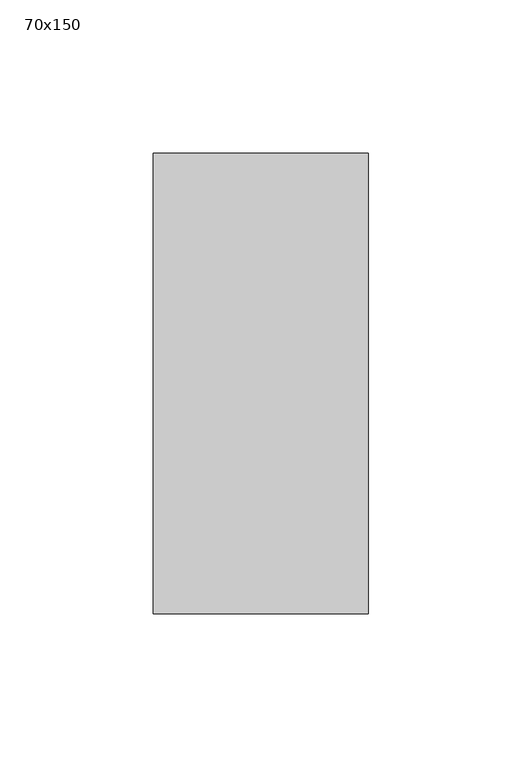
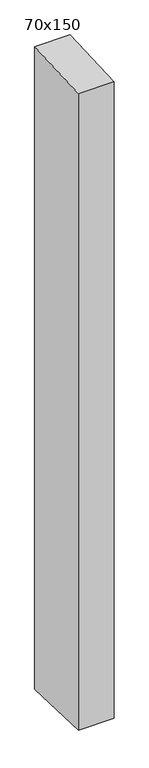
"""IFC4 building model written with IfcOpenShell, lengths in millimetres: member geometry, 70x150."""

import ifcopenshell
import ifcopenshell.guid

model = None  # the IFC model being written
_history = None  # IfcOwnerHistory: only IFC2X3 demands one
_inside = {}  # id of a spatial element -> (the spatial element, [elements in it])
_under = {}  # id of a project, library or spatial element -> (it, [spatial elements below it])
_declared = {}  # id of a project -> (the project, [libraries it declares])
_typed = {}  # id of a type object -> (the type object, [elements of that type])
_made_of = {}  # id of a material, layer set ... -> (it, [elements and type objects made of it])


def new_model(schema):
    """Start an empty IFC model of exactly this schema.

    Asked for "IFC4X3", IfcOpenShell would pick the latest addendum, in which some entities
    have other attributes; the version numbers below select the first issue.
    IFC2X3 requires an IfcOwnerHistory on every rooted entity: one is made here for all.
    """
    global model, _history
    if schema == "IFC4X3":
        model = ifcopenshell.file(schema_version=(4, 3, 0, 0))
    else:
        model = ifcopenshell.file(schema=schema)
    _inside.clear()
    _under.clear()
    _declared.clear()
    _typed.clear()
    _made_of.clear()
    _history = None
    if model.schema == "IFC2X3":
        org = make("IfcOrganization", Name="unknown")
        user = make(
            "IfcPersonAndOrganization",
            ThePerson=make("IfcPerson", FamilyName="unknown"),
            TheOrganization=org,
        )
        app = make(
            "IfcApplication",
            ApplicationDeveloper=org,
            Version="unknown",
            ApplicationFullName="unknown",
            ApplicationIdentifier="unknown",
        )
        _history = make(
            "IfcOwnerHistory",
            OwningUser=user,
            OwningApplication=app,
            ChangeAction="ADDED",
            CreationDate=0,
        )
    return model


def make(cls, **values):
    """One entity of the class cls with the attributes given. An attribute that is None is left unset."""
    return model.create_entity(
        cls, **{name: value for name, value in values.items() if value is not None}
    )


def rooted(cls, **values):
    """An entity with a GlobalId (a new one), such as an element, a storey or a relation."""
    return make(cls, GlobalId=ifcopenshell.guid.new(), OwnerHistory=_history, **values)


def si_unit(unit_type, name, prefix=None):
    """IfcSIUnit, for example si_unit("LENGTHUNIT", "METRE", prefix="MILLI")."""
    return make("IfcSIUnit", UnitType=unit_type, Prefix=prefix, Name=name)


def assignment(units):
    """IfcUnitAssignment: the units of a project."""
    return None if units is None else make("IfcUnitAssignment", Units=units)


def point(xyz):
    """IfcCartesianPoint."""
    return None if xyz is None else make("IfcCartesianPoint", Coordinates=xyz)


def direction(xyz):
    """IfcDirection."""
    return None if xyz is None else make("IfcDirection", DirectionRatios=xyz)


def frame(location, z_axis=None, x_axis=None):
    """IfcAxis2Placement3D, a coordinate frame: its origin and axes. An axis left out is left unset."""
    return make(
        "IfcAxis2Placement3D",
        Location=point(location),
        Axis=direction(z_axis),
        RefDirection=direction(x_axis),
    )


def origin():
    """The frame at (0, 0, 0) with its axes left unset."""
    return frame((0.0, 0.0, 0.0))


def place(relative_to, where):
    """IfcLocalPlacement: puts the frame where relative to a parent placement (None: the world)."""
    return make(
        "IfcLocalPlacement", PlacementRelTo=relative_to, RelativePlacement=where
    )


def context(
    kind, dimensions, precision=None, world=None, true_north=None, identifier=None
):
    """IfcGeometricRepresentationContext, for example the 3D "Model" context."""
    return make(
        "IfcGeometricRepresentationContext",
        ContextIdentifier=identifier,
        ContextType=kind,
        CoordinateSpaceDimension=dimensions,
        Precision=precision,
        WorldCoordinateSystem=world,
        TrueNorth=true_north,
    )


def project(units=None, contexts=None):
    """IfcProject with its units and contexts."""
    return rooted(
        "IfcProject",
        Name="project",
        RepresentationContexts=contexts,
        UnitsInContext=assignment(units),
    )


def spatial(cls, under=None, at=None, **own):
    """A site, building, storey or space (cls), placed at a placement, below another one or the project."""
    s = rooted(cls, ObjectPlacement=at, **own)
    if under is not None:
        _under.setdefault(under.id(), (under, []))[1].append(s)
    return s


def polyline(points):
    """IfcPolyline through the points."""
    return make("IfcPolyline", Points=[point(p) for p in points])


def outline(outer, holes=None, kind="AREA"):
    """IfcArbitraryClosedProfileDef: a profile drawn as a closed curve; with holes, ...WithVoids."""
    if holes is None:
        return make("IfcArbitraryClosedProfileDef", ProfileType=kind, OuterCurve=outer)
    return make(
        "IfcArbitraryProfileDefWithVoids",
        ProfileType=kind,
        OuterCurve=outer,
        InnerCurves=holes,
    )


def extrude(swept, where, along, depth):
    """IfcExtrudedAreaSolid: the profile swept, set in the frame where, extruded along a direction by depth."""
    return make(
        "IfcExtrudedAreaSolid",
        SweptArea=swept,
        Position=where,
        ExtrudedDirection=direction(along),
        Depth=depth,
    )


def shape(context_of_items, identifier, shape_type, items):
    """IfcShapeRepresentation: the items that make up one representation, for example the "Body"."""
    return make(
        "IfcShapeRepresentation",
        ContextOfItems=context_of_items,
        RepresentationIdentifier=identifier,
        RepresentationType=shape_type,
        Items=items,
    )


def source(mapping_origin, context_of_items, identifier, shape_type, items):
    """IfcRepresentationMap: a shape defined once, which mapped items show again and again."""
    return make(
        "IfcRepresentationMap",
        MappingOrigin=mapping_origin,
        MappedRepresentation=shape(context_of_items, identifier, shape_type, items),
    )


def transform(
    local_origin,
    x_axis=None,
    y_axis=None,
    z_axis=None,
    scale=None,
    scale2=None,
    scale3=None,
    uniform=True,
):
    """IfcCartesianTransformationOperator3D, or its non-uniform kind. x_axis, y_axis, z_axis: its Axis1, 2, 3."""
    if uniform:
        return make(
            "IfcCartesianTransformationOperator3D",
            Axis1=direction(x_axis),
            Axis2=direction(y_axis),
            LocalOrigin=point(local_origin),
            Scale=scale,
            Axis3=direction(z_axis),
        )
    return make(
        "IfcCartesianTransformationOperator3DnonUniform",
        Axis1=direction(x_axis),
        Axis2=direction(y_axis),
        LocalOrigin=point(local_origin),
        Scale=scale,
        Axis3=direction(z_axis),
        Scale2=scale2,
        Scale3=scale3,
    )


def mapped(mapping_source, mapping_target):
    """IfcMappedItem: shows the shape of a source again, moved by a transform."""
    return make(
        "IfcMappedItem", MappingSource=mapping_source, MappingTarget=mapping_target
    )


def made_of(thing, what):
    """Note that an element or type object is made of a material, layer set ...; save() writes the relation."""
    if what is not None:
        _made_of.setdefault(what.id(), (what, []))[1].append(thing)
    return thing


def element(
    cls,
    number,
    at=None,
    inside=None,
    cuts=None,
    type_object=None,
    material=None,
    context=None,
    identifier="Body",
    shape_type=None,
    held_by="IfcProductDefinitionShape",
    body=None,
    shapes=None,
    **own,
):
    """One element of the class cls, such as IfcWall. Its Tag is "e" and its number.

    at: its placement. inside: the storey or other place that contains it. cuts: it is an
    opening in that element (IfcRelVoidsElement). A single representation is given by context,
    identifier, shape_type and body (its items); several are given by shapes. held_by: the class
    of the entity that holds the representations. save() writes the other relations.
    """
    e = rooted(cls, Tag="e%d" % number, ObjectPlacement=at, **own)
    if body is not None:
        shapes = [shape(context, identifier, shape_type, body)]
    if shapes is not None:
        e.Representation = make(held_by, Representations=shapes)
    if inside is not None:
        _inside.setdefault(inside.id(), (inside, []))[1].append(e)
    if cuts is not None:
        rooted(
            "IfcRelVoidsElement", RelatingBuildingElement=cuts, RelatedOpeningElement=e
        )
    if type_object is not None:
        _typed.setdefault(type_object.id(), (type_object, []))[1].append(e)
    return made_of(e, material)


def aggregate(whole, parts):
    """IfcRelAggregates: a whole, such as a stair, and the parts it consists of."""
    return rooted("IfcRelAggregates", RelatingObject=whole, RelatedObjects=parts)


def save(model, path):
    """Write the relations noted so far, then the file.

    IfcRelAggregates (storeys below a building ...), IfcRelContainedInSpatialStructure (elements
    in a storey), IfcRelDefinesByType, IfcRelAssociatesMaterial and IfcRelDeclares: one each for
    every whole, place, type object, material and project.
    """
    for whole, parts in _under.values():
        aggregate(whole, parts)
    for where, things in _inside.values():
        rooted(
            "IfcRelContainedInSpatialStructure",
            RelatedElements=things,
            RelatingStructure=where,
        )
    for kind, things in _typed.values():
        rooted("IfcRelDefinesByType", RelatedObjects=things, RelatingType=kind)
    for what, things in _made_of.values():
        rooted("IfcRelAssociatesMaterial", RelatedObjects=things, RelatingMaterial=what)
    for by, libraries in _declared.values():
        rooted("IfcRelDeclares", RelatingContext=by, RelatedDefinitions=libraries)
    model.write(path)


def member_70x150_b853b810(model_context):
    return source(origin(), model_context, "Body", "SweptSolid", [
        extrude(outline(polyline([(-75.0, -3.5103515), (75.0, 3.5103515), (75.0, -1337.3876224), (-75.0, -1331.2648871), (-75.0, -3.5103515)])), frame((-35.0, 0.0, 0.0), z_axis=(1.0, 0.0, 0.0), x_axis=(0.0, 1.0, 0.0)), (0.0, 0.0, 1.0), 70.0),
    ])


if __name__ == "__main__":
    model = new_model("IFC4")
    model_context = context("Model", 3, world=origin())
    ifc_project = project(units=[si_unit("LENGTHUNIT", "METRE", prefix="MILLI")], contexts=[model_context])
    site = spatial("IfcSite", under=ifc_project)
    building = spatial("IfcBuilding", under=site)
    placement = place(None, origin())
    member_70x150_shape = member_70x150_b853b810(model_context)
    element("IfcMember", 1, ObjectType="70x150", at=placement, inside=building, context=model_context, shape_type="MappedRepresentation", body=[
        mapped(member_70x150_shape, transform((0.0, 0.0, 0.0), x_axis=(1.0, 0.0, 0.0), y_axis=(0.0, 1.0, 0.0), z_axis=(0.0, 0.0, 1.0))),
    ])
    save(model, "model.ifc")
